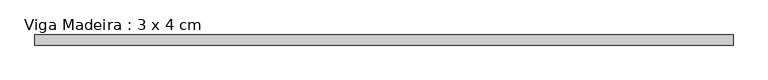
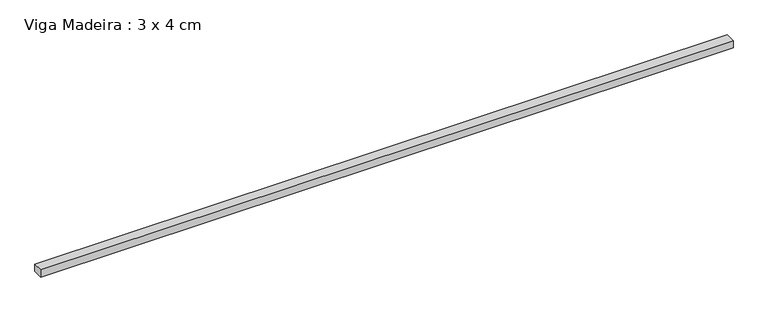
"""IFC4 building model written with IfcOpenShell, lengths in millimetres: beam geometry, Viga Madeira : 3 x 4 cm."""

from ifc_helpers import new_model, si_unit, frame, origin, place, context, project, spatial, polyline, outline, extrude, source, transform, mapped, element, save


def viga_madeira_3_x_4_cm_05f4c566(model_context):
    return source(origin(), model_context, "Body", "SweptSolid", [
        extrude(outline(polyline([(1382.4839128, 20.0), (1382.4839128, -20.0), (-1382.4839122, -20.0), (-1382.4839122, 20.0), (1382.4839128, 20.0)])), frame((0.0, 0.0, -15.0), z_axis=(0.0, 0.0, 1.0), x_axis=(1.0, 0.0, 0.0)), (0.0, 0.0, 1.0), 30.0),
    ])


if __name__ == "__main__":
    model = new_model("IFC4")
    model_context = context("Model", 3, world=origin())
    ifc_project = project(units=[si_unit("LENGTHUNIT", "METRE", prefix="MILLI")], contexts=[model_context])
    site = spatial("IfcSite", under=ifc_project)
    building = spatial("IfcBuilding", under=site)
    placement = place(None, origin())
    viga_madeira_3_x_4_cm_shape = viga_madeira_3_x_4_cm_05f4c566(model_context)
    element("IfcBeam", 1, ObjectType="Viga Madeira : 3 x 4 cm", at=placement, inside=building, context=model_context, shape_type="MappedRepresentation", body=[
        mapped(viga_madeira_3_x_4_cm_shape, transform((0.0, 0.0, 0.0), x_axis=(1.0, 0.0, 0.0), y_axis=(0.0, 1.0, 0.0), z_axis=(0.0, 0.0, 1.0))),
    ])
    save(model, "model.ifc")
